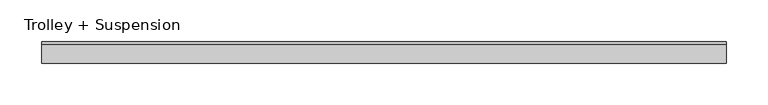
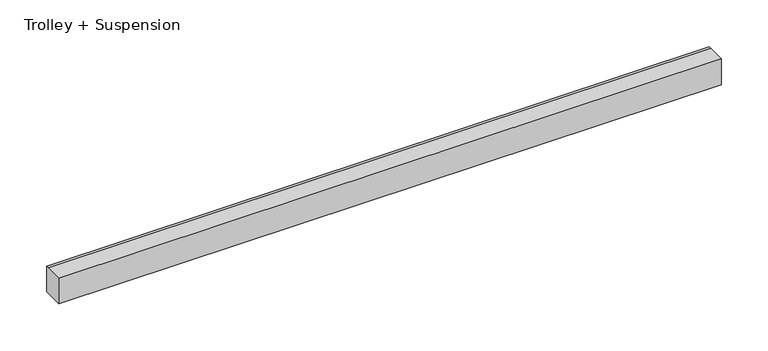
"""IFC4 building model written with IfcOpenShell, lengths in millimetres: proxy geometry, Trolley + Suspension."""

from ifc_helpers import new_model, si_unit, frame, origin, place, context, project, spatial, polyline, outline, extrude, source, transform, mapped, element, save


def trolley_suspension_99ce1a17(model_context):
    return source(origin(), model_context, "Body", "SweptSolid", [
        extrude(outline(polyline([(-13.0, 34.0), (9.692747, 34.0), (13.0, 34.0), (13.0, 0.0), (-13.0, 0.0), (-13.0, 34.0)])), frame((-35.0, 0.0, 0.0), z_axis=(1.0, 0.0, 0.0), x_axis=(0.0, 1.0, 0.0)), (0.0, 0.0, 1.0), 822.0),
    ])


if __name__ == "__main__":
    model = new_model("IFC4")
    model_context = context("Model", 3, world=origin())
    ifc_project = project(units=[si_unit("LENGTHUNIT", "METRE", prefix="MILLI")], contexts=[model_context])
    site = spatial("IfcSite", under=ifc_project)
    building = spatial("IfcBuilding", under=site)
    placement = place(None, origin())
    trolley_suspension_shape = trolley_suspension_99ce1a17(model_context)
    element("IfcBuildingElementProxy", 1, Name="Trolley + Suspension", ObjectType="Trolley + Suspension", at=placement, inside=building, context=model_context, shape_type="MappedRepresentation", body=[
        mapped(trolley_suspension_shape, transform((0.0, 0.0, 0.0), x_axis=(1.0, 0.0, 0.0), y_axis=(0.0, 1.0, 0.0), z_axis=(0.0, 0.0, 1.0))),
    ])
    save(model, "model.ifc")
